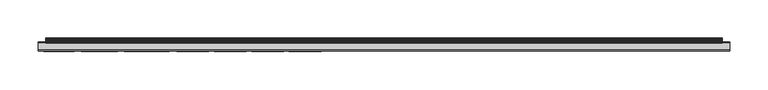
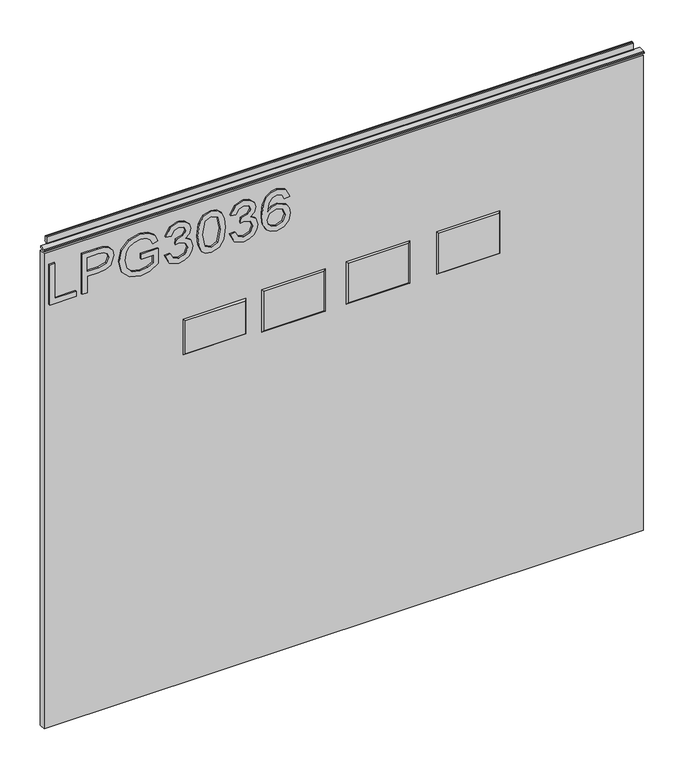
"""IFC4 building model written with IfcOpenShell, lengths in millimetres: furniture geometry."""

from ifc_helpers import new_model, si_unit, frame, origin, place, context, project, spatial, polyline, outline, extrude, faceted_brep, source, transform, mapped, element, save


def furniture_f30f82f5(model_context):
    return source(origin(), model_context, "Body", "SolidModel", [
        extrude(outline(polyline([(773.6078, -291.2164221), (773.6078, -251.347824), (781.5815196, -251.347824), (781.5815196, -283.2427025), (837.3975569, -283.2427025), (837.3975569, -291.2164221), (773.6078, -291.2164221)])), frame((0.0, -5.5495814, 0.0), z_axis=(0.0, 1.0, 0.0), x_axis=(0.0, 0.0, 1.0)), (0.0, 0.0, 1.0), 2.38125),
        extrude(outline(polyline([(773.6078, -242.3773894), (773.6078, -234.4036698), (799.5223888, -234.4036698), (799.5223888, -218.1914782), (800.931806, -206.8635791), (805.1600577, -199.6665964), (818.9427567, -194.5350717), (827.640652, -196.4350596), (833.8078257, -201.4575685), (836.7901838, -209.2054699), (837.3975569, -218.7365567), (837.3975569, -242.3773894), (773.6078, -242.3773894)]), holes=[polyline([(807.4961084, -234.4036698), (829.4238373, -234.4036698), (829.4238373, -217.9111521), (828.8787588, -209.9374325), (825.2656671, -204.5567291), (818.6624306, -202.5087913), (810.4239585, -205.98172), (807.4961084, -217.724268), (807.4961084, -234.4036698)])]), frame((0.0, -5.5495814, 0.0), z_axis=(0.0, 1.0, 0.0), x_axis=(0.0, 0.0, 1.0)), (0.0, 0.0, 1.0), 2.38125),
        extrude(outline(polyline([(798.5256738, -153.6697587), (798.5256738, -135.7288895), (787.0011572, -135.7288895), (782.6327424, -143.803838), (780.5848047, -154.7131947), (783.3024103, -166.868445), (791.6187507, -175.5897008), (805.5182521, -178.5876325), (818.0394837, -176.0958451), (824.183297, -171.9921828), (828.6996616, -165.0463254), (830.4205523, -154.837784), (828.824251, -145.8751363), (824.5726388, -139.6612415), (817.1985055, -136.0247893), (819.2698038, -128.6740165), (829.8209659, -133.4940677), (836.1283027, -142.2386841), (838.3942719, -154.7131947), (834.4852804, -171.5016121), (822.5324879, -182.6757212), (805.191205, -186.5613521), (788.2314772, -182.6601475), (776.6213054, -171.1044835), (772.611085, -154.0746741), (775.1340198, -140.5489408), (782.6561029, -127.7551699), (806.4993934, -127.7551699), (806.4993934, -153.6697587), (798.5256738, -153.6697587)])), frame((0.0, -5.5495814, 0.0), z_axis=(0.0, 1.0, 0.0), x_axis=(0.0, 0.0, 1.0)), (0.0, 0.0, 1.0), 2.38125),
        extrude(outline(polyline([(790.5519542, -117.7880204), (777.6102335, -111.4495363), (772.611085, -97.4643796), (774.0750101, -88.9416881), (778.4667854, -82.0308715), (784.9610063, -77.4522122), (792.7322681, -75.9259924), (803.1043331, -78.9784319), (808.555118, -87.6685404), (813.8345925, -81.1275986), (821.1853653, -78.9161373), (829.2291664, -81.2444011), (835.2094562, -87.972227), (837.3975569, -97.5889689), (832.9590607, -110.2659372), (820.4534028, -116.7913055), (819.4566878, -108.8175858), (826.9320499, -104.9085944), (829.4238373, -97.3086429), (826.9554105, -89.8021334), (820.7181552, -86.8898569), (813.6788558, -90.907864), (811.4829682, -101.233208), (803.5092486, -102.1209072), (804.3813742, -96.5299593), (801.11869, -87.4660827), (792.8724312, -83.899712), (784.120028, -87.4972301), (780.5848047, -97.1840535), (783.1544604, -105.4147387), (791.5486691, -109.8143008), (790.5519542, -117.7880204)])), frame((0.0, -5.5495814, 0.0), z_axis=(0.0, 1.0, 0.0), x_axis=(0.0, 0.0, 1.0)), (0.0, 0.0, 1.0), 2.38125),
        extrude(outline(polyline([(804.9887473, -68.9489877), (789.4734775, -67.3604733), (778.6848168, -62.5949299), (774.129518, -56.3031668), (772.611085, -48.0179737), (776.1073742, -36.3455072), (786.7130443, -29.4074367), (804.9887473, -27.0869597), (819.9784058, -28.5353112), (829.4160505, -32.2729922), (835.3418324, -38.7049184), (837.3975569, -48.0179737), (833.9246283, -59.6437192), (823.3423188, -66.6051502), (804.9887473, -68.9489877)]), holes=[polyline([(805.004321, -60.9752681), (825.1566514, -57.1129977), (829.4238373, -48.1114158), (824.5804256, -38.6737711), (805.004321, -35.0606794), (785.2179718, -38.7983604), (780.5848047, -48.0179737), (785.2023982, -57.2375871), (805.004321, -60.9752681)])]), frame((0.0, -5.5495814, 0.0), z_axis=(0.0, 1.0, 0.0), x_axis=(0.0, 0.0, 1.0)), (0.0, 0.0, 1.0), 2.38125),
        extrude(outline(polyline([(790.5519542, -20.1099551), (777.6102335, -13.7714709), (772.611085, 0.2136857), (774.0750101, 8.7363773), (778.4667854, 15.6471938), (784.9610063, 20.2258531), (792.7322681, 21.7520729), (803.1043331, 18.6996334), (808.555118, 10.0095249), (813.8345925, 16.5504668), (821.1853653, 18.7619281), (829.2291664, 16.4336642), (835.2094562, 9.7058383), (837.3975569, 0.0890964), (832.9590607, -12.5878719), (820.4534028, -19.1132401), (819.4566878, -11.1395205), (826.9320499, -7.2305291), (829.4238373, 0.3694225), (826.9554105, 7.8759319), (820.7181552, 10.7882084), (813.6788558, 6.7702013), (811.4829682, -3.5551427), (803.5092486, -4.4428419), (804.3813742, 1.148106), (801.11869, 10.2119826), (792.8724312, 13.7783533), (784.120028, 10.1808353), (780.5848047, 0.4940118), (783.1544604, -7.7366734), (791.5486691, -12.1362355), (790.5519542, -20.1099551)])), frame((0.0, -5.5495814, 0.0), z_axis=(0.0, 1.0, 0.0), x_axis=(0.0, 0.0, 1.0)), (0.0, 0.0, 1.0), 2.38125),
        extrude(outline(polyline([(820.4534028, 69.5943906), (832.896766, 63.7075429), (837.3975569, 51.108443), (835.5793308, 41.8537889), (830.1246525, 34.7093673), (819.2659103, 29.4766138), (803.3846592, 27.7323626), (789.2593395, 29.3033567), (779.7749738, 34.0163389), (774.4020572, 41.2211085), (772.611085, 50.2674648), (775.313117, 60.7173981), (783.0999526, 67.9591552), (794.1027512, 70.5911056), (802.2750351, 69.1933686), (808.7887231, 65.0001576), (814.473113, 51.4510638), (812.3940279, 42.7375948), (806.0321833, 35.7060822), (820.2431582, 37.9720514), (827.4927021, 43.4150495), (829.4238373, 50.6100855), (826.1066454, 58.5993788), (819.4566878, 61.620671), (820.4534028, 69.5943906)]), holes=[polyline([(794.2273406, 35.7060822), (803.11212, 39.6695815), (806.4993934, 49.3174708), (803.11212, 59.0899494), (793.8379988, 62.617386), (784.1511754, 59.0432284), (780.5848047, 49.6445179), (782.3056953, 42.4572687), (787.3204174, 37.5515623), (794.2273406, 35.7060822)])]), frame((0.0, -5.5495814, 0.0), z_axis=(0.0, 1.0, 0.0), x_axis=(0.0, 0.0, 1.0)), (0.0, 0.0, 1.0), 2.38125),
        faceted_brep([(384.7973, -5.2069939, 682.5742), (294.1193, -5.2069939, 682.5742), (294.1193, -5.2069939, 619.5822), (384.7973, -5.2069939, 619.5822), (387.0833, -3.1749939, 684.8602), (387.0833, -3.1749939, 617.2962), (291.8333, -3.1749939, 617.2962), (291.8333, -3.1749939, 684.8602)], [[[0, 1, 2, 3]], [[4, 5, 6, 7]], [[4, 7, 1, 0]], [[7, 6, 2, 1]], [[6, 5, 3, 2]], [[5, 4, 0, 3]]]),
        faceted_brep([(249.0597, -5.2069939, 682.5742), (158.3817, -5.2069939, 682.5742), (158.3817, -5.2069939, 619.5822), (249.0597, -5.2069939, 619.5822), (251.3457, -3.1749939, 684.8602), (251.3457, -3.1749939, 617.2962), (156.0957, -3.1749939, 617.2962), (156.0957, -3.1749939, 684.8602)], [[[0, 1, 2, 3]], [[4, 5, 6, 7]], [[4, 7, 1, 0]], [[7, 6, 2, 1]], [[6, 5, 3, 2]], [[5, 4, 0, 3]]]),
        faceted_brep([(122.0597, -5.2069939, 682.5742), (31.3817, -5.2069939, 682.5742), (31.3817, -5.2069939, 619.5822), (122.0597, -5.2069939, 619.5822), (124.3457, -3.1749939, 684.8602), (124.3457, -3.1749939, 617.2962), (29.0957, -3.1749939, 617.2962), (29.0957, -3.1749939, 684.8602)], [[[0, 1, 2, 3]], [[4, 5, 6, 7]], [[4, 7, 1, 0]], [[7, 6, 2, 1]], [[6, 5, 3, 2]], [[5, 4, 0, 3]]]),
        faceted_brep([(2.794, -5.2069939, 677.1132), (-86.868, -5.2069939, 677.1132), (-86.868, -5.2069939, 625.0432), (2.794, -5.2069939, 625.0432), (5.08, -3.1749939, 679.3992), (5.08, -3.1749939, 622.7572), (-89.154, -3.1749939, 622.7572), (-89.154, -3.1749939, 679.3992)], [[[0, 1, 2, 3]], [[4, 5, 6, 7]], [[4, 7, 1, 0]], [[7, 6, 2, 1]], [[6, 5, 3, 2]], [[5, 4, 0, 3]]]),
        extrude(outline(polyline([(-298.196, 6.3500061), (602.488, 6.3500061), (602.488, -3.1749939), (-298.196, -3.1749939), (-298.196, 6.3500061)])), frame((0.0, 0.0, 101.6), z_axis=(0.0, 0.0, 1.0), x_axis=(1.0, 0.0, 0.0)), (0.0, 0.0, 1.0), 754.5578),
        extrude(outline(polyline([(5.5562561, 863.6), (6.3500061, 863.6), (6.3500061, 873.47425), (7.1437561, 874.268), (8.6677569, 874.268), (10.0084363, 873.8506926), (10.875413, 872.7461816), (10.9623604, 871.3447591), (10.2390011, 868.3863459), (10.4046103, 867.1833307), (11.6746103, 864.9836103), (10.7786383, 864.4663244), (7.1437561, 864.4663244), (7.1437561, 863.6), (6.3500061, 863.3669239), (6.3500061, 856.1578), (5.5562561, 856.1578), (5.5562561, 863.6)])), frame((-288.671, 0.0, 0.0), z_axis=(1.0, 0.0, 0.0), x_axis=(0.0, 1.0, 0.0)), (0.0, 0.0, 1.0), 881.634),
        extrude(outline(polyline([(5.5562561, 863.6), (5.5562561, 860.4249996), (-3.975094, 860.4249996), (-5.3492339, 861.2183657), (-5.3492339, 862.8066395), (-3.9751037, 863.6), (5.5562561, 863.6)])), frame((-298.196, 0.0, 0.0), z_axis=(1.0, 0.0, 0.0), x_axis=(0.0, 1.0, 0.0)), (0.0, 0.0, 1.0), 900.684),
    ])


if __name__ == "__main__":
    model = new_model("IFC4")
    model_context = context("Model", 3, world=origin())
    ifc_project = project(units=[si_unit("LENGTHUNIT", "METRE", prefix="MILLI")], contexts=[model_context])
    site = spatial("IfcSite", under=ifc_project)
    building = spatial("IfcBuilding", under=site)
    placement = place(None, origin())
    furniture_shape = furniture_f30f82f5(model_context)
    element("IfcFurniture", 1, at=placement, inside=building, context=model_context, shape_type="MappedRepresentation", body=[
        mapped(furniture_shape, transform((0.0, 0.0, 0.0), x_axis=(1.0, 0.0, 0.0), y_axis=(0.0, 1.0, 0.0), z_axis=(0.0, 0.0, 1.0))),
    ])
    save(model, "model.ifc")
